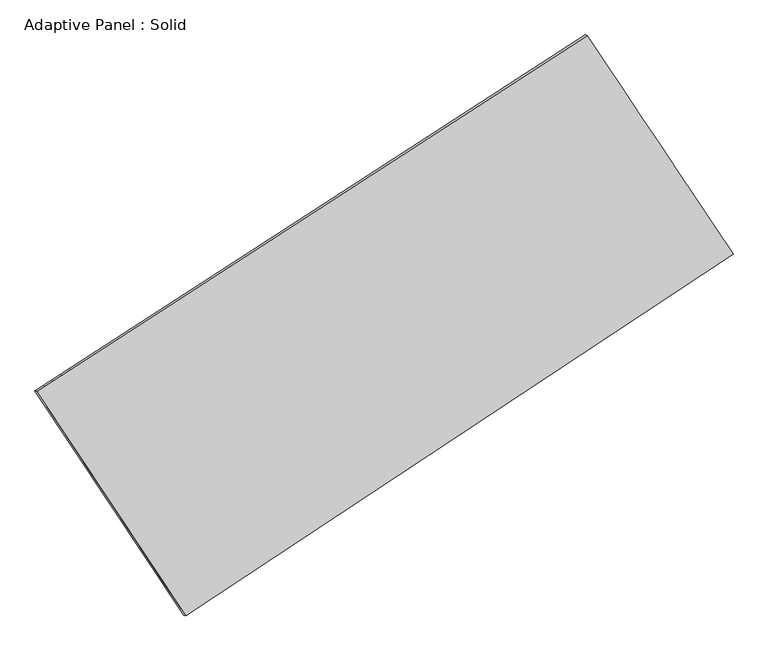
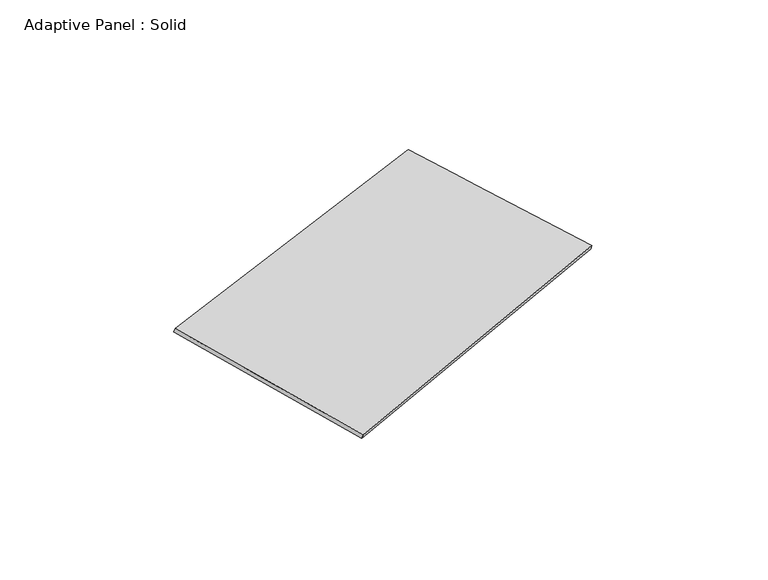
"""IFC4 building model written with IfcOpenShell, lengths in millimetres: plate geometry, Adaptive Panel : Solid."""

from ifc_helpers import new_model, si_unit, frame, origin, place, context, project, spatial, source, transform, mapped, element, save
from ifc_brep_helpers import plane_surface, spline_surface, advanced_brep


def adaptive_panel_solid_cbe73882(model_context):
    return source(origin(), model_context, "Body", "AdvancedBrep", [
        advanced_brep(
        [(1136.1519997, 2461.9199678, 635.485242), (-3746.3326447, -696.7791717, 1775.8791051), (-3731.6662888, -703.1592651, 1823.2520131), (1150.8183556, 2455.5398744, 682.85815), (-2424.9138553, -2688.6324158, 1045.2459927), (-2410.2474995, -2695.0125093, 1092.6189007), (2431.8039221, 523.2430468, 28.5121804), (2446.4702779, 516.8629533, 75.8850885)],
        [
            (0, 1),
            (1, 2),
            (2, 3),
            (3, 0),
            (1, 4),
            (4, 5),
            (5, 2),
            (4, 6),
            (6, 7),
            (7, 5),
            (6, 0),
            (3, 7),
        ],
        [
            plane_surface(frame((-1305.0903225, 882.5703981, 1205.6821735), z_axis=(-0.48048667174989534, 0.8371095527023108, 0.26149599431969434), x_axis=(-0.8239200270300667, -0.5330309606592729, 0.19244163800338723))),
            plane_surface(frame((-3085.62325, -1692.7057937, 1410.5625489), z_axis=(-0.792494237281653, -0.5867606544045166, 0.16632744306985153), x_axis=(0.5286753042630291, -0.7969037737040394, -0.2923128428903783))),
            plane_surface(frame((3.4450334, -1082.6946845, 536.8790866), z_axis=(0.49290943608873883, -0.8289834125775162, -0.26424759125868535), x_axis=(0.8216679331285839, 0.5433906588290043, -0.17201278895937316))),
            plane_surface(frame((1783.9779609, 1492.5815073, 331.9987112), z_axis=(0.7946599850457553, 0.5835072030410171, -0.16743611368617412), x_axis=(-0.5377307204518447, 0.8046035508994936, 0.2519102978487901))),
            spline_surface(1, 1, [[(-3731.6662888, -703.1592651, 1823.2520131), (1150.8183556, 2455.5398744, 682.85815)], [(-2410.2474995, -2695.0125093, 1092.6189007), (2446.4702779, 516.8629533, 75.8850885)]], [2, 2], [2, 2], [0.0, 1.0], [0.0, 1.0]),
            spline_surface(1, 1, [[(2431.8039221, 523.2430468, 28.5121804), (1136.1519997, 2461.9199678, 635.485242)], [(-2424.9138553, -2688.6324158, 1045.2459927), (-3746.3326447, -696.7791717, 1775.8791051)]], [2, 2], [2, 2], [0.0, 1.0], [0.0, 1.0]),
        ],
        [
            (0, [[1, 2, 3, 4]]),
            (1, [[5, 6, 7, -2]]),
            (2, [[8, 9, 10, -6]]),
            (3, [[11, -4, 12, -9]]),
            (4, [[-3, -7, -10, -12]]),
            (5, [[-11, -8, -5, -1]]),
        ],
    ),
    ])


if __name__ == "__main__":
    model = new_model("IFC4")
    model_context = context("Model", 3, world=origin())
    ifc_project = project(units=[si_unit("LENGTHUNIT", "METRE", prefix="MILLI")], contexts=[model_context])
    site = spatial("IfcSite", under=ifc_project)
    building = spatial("IfcBuilding", under=site)
    placement = place(None, origin())
    adaptive_panel_solid_shape = adaptive_panel_solid_cbe73882(model_context)
    element("IfcPlate", 1, ObjectType="Adaptive Panel : Solid", at=placement, inside=building, context=model_context, shape_type="MappedRepresentation", body=[
        mapped(adaptive_panel_solid_shape, transform((0.0, 0.0, 0.0), x_axis=(1.0, 0.0, 0.0), y_axis=(0.0, 1.0, 0.0), z_axis=(0.0, 0.0, 1.0))),
    ])
    save(model, "model.ifc")
